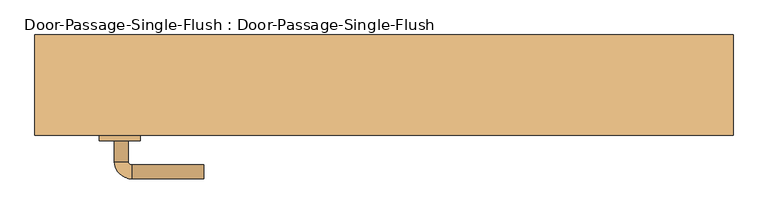
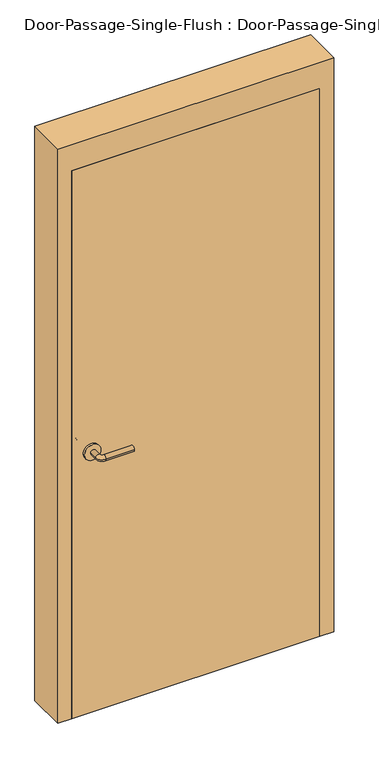
"""IFC4 building model written with IfcOpenShell, lengths in millimetres: door geometry, Door-Passage-Single-Flush : Door-Passage-Single-Flush."""

from ifc_helpers import new_model, si_unit, point, frame, frame_2d, origin, origin_with_axes, place, context, project, spatial, polyline, circle_curve, ellipse_curve, trimmed, segment, composite_curve, outline, extrude, faceted_brep, source, transform, mapped, element, save
from ifc_brep_helpers import plane_surface, cylinder_surface, revolved_surface, advanced_brep


def door_passage_single_flush_door_passage_single_flush_a954deb9(model_context):
    return source(origin(), model_context, "Body", "SolidModel", [
        advanced_brep(
        [(-392.190625, -80.9, 1016.0), (-372.190625, -80.9, 1016.0), (-392.190625, -50.9, 1016.0), (-372.190625, -50.9, 1016.0), (-367.190625, -45.9, 1016.0), (-367.190625, -25.9, 1016.0), (-262.190625, -25.9, 1016.0), (-262.190625, -45.9, 1016.0)],
        [
            (0, 1, circle_curve(frame((-382.190625, -80.9, 1016.0), z_axis=(0.0, -1.0, 0.0), x_axis=(1.0, 0.0, 0.0)), 10.0)),
            (1, 0, circle_curve(frame((-382.190625, -80.9, 1016.0), z_axis=(0.0, -1.0, 0.0), x_axis=(1.0, 0.0, 0.0)), 10.0)),
            (0, 2),
            (2, 3, circle_curve(frame((-382.190625, -50.9, 1016.0), z_axis=(0.0, -1.0, 0.0), x_axis=(1.0, 0.0, 0.0)), 10.0)),
            (3, 1),
            (3, 2, circle_curve(frame((-382.190625, -50.9, 1016.0), z_axis=(0.0, -1.0, 0.0), x_axis=(1.0, 0.0, 0.0)), 10.0)),
            (4, 3, circle_curve(frame((-367.190625, -50.9, 1016.0), z_axis=(0.0, 0.0, 1.0), x_axis=(-1.0, 0.0, 0.0)), 5.0)),
            (2, 5, circle_curve(frame((-367.190625, -50.9, 1016.0), z_axis=(0.0, 0.0, -1.0), x_axis=(-1.0, 0.0, 0.0)), 25.0)),
            (5, 4, circle_curve(frame((-367.190625, -35.9, 1016.0), z_axis=(-1.0, 0.0, 0.0), x_axis=(0.0, -1.0, 0.0)), 10.0)),
            (4, 5, circle_curve(frame((-367.190625, -35.9, 1016.0), z_axis=(-1.0, 0.0, 0.0), x_axis=(0.0, -1.0, 0.0)), 10.0)),
            (6, 7, circle_curve(frame((-262.190625, -35.9, 1016.0), z_axis=(1.0, 0.0, 0.0), x_axis=(0.0, -1.0, 0.0)), 10.0)),
            (7, 6, circle_curve(frame((-262.190625, -35.9, 1016.0), z_axis=(1.0, 0.0, 0.0), x_axis=(0.0, -1.0, 0.0)), 10.0)),
            (5, 6),
            (7, 4),
        ],
        [
            plane_surface(frame((-382.190625, -80.9, 1016.0), z_axis=(0.0, -1.0, 0.0), x_axis=(0.0, 0.0, 1.0))),
            cylinder_surface(frame((-382.190625, -80.9, 1016.0), z_axis=(0.0, -1.0, 0.0), x_axis=(1.0, 0.0, 0.0)), 10.0),
            revolved_surface(trimmed(ellipse_curve(frame((-382.190625, -50.9, 1016.0), z_axis=(0.0, -1.0, 0.0), x_axis=(1.0, 0.0, 0.0)), 10.0, 10.0), [point((-392.190625, -50.9, 1016.0))], [point((-372.190625, -50.9, 1016.0))], True, "CARTESIAN"), (-367.190625, -50.9, 1016.0), (0.0, 0.0, -1.0)),
            revolved_surface(trimmed(ellipse_curve(frame((-382.190625, -50.9, 1016.0), z_axis=(0.0, -1.0, 0.0), x_axis=(1.0, 0.0, 0.0)), 10.0, 10.0), [point((-372.190625, -50.9, 1016.0))], [point((-392.190625, -50.9, 1016.0))], True, "CARTESIAN"), (-367.190625, -50.9, 1016.0), (0.0, 0.0, -1.0)),
            plane_surface(frame((-262.190625, -35.9, 1016.0), z_axis=(1.0, 0.0, 0.0), x_axis=(0.0, 0.0, 1.0))),
            cylinder_surface(frame((-367.190625, -35.9, 1016.0), z_axis=(-1.0, 0.0, 0.0), x_axis=(0.0, -1.0, 0.0)), 10.0),
        ],
        [
            (0, [[1, 2]]),
            (1, [[-1, 3, 4, 5]]),
            (1, [[-2, -5, 6, -3]]),
            (2, [[7, -4, 8, 9]]),
            (3, [[-8, -6, -7, 10]]),
            (4, [[11, 12]]),
            (5, [[-9, 13, -12, 14]]),
            (5, [[-10, -14, -11, -13]]),
        ],
    ),
        extrude(outline(composite_curve([segment(trimmed(circle_curve(frame_2d((1016.0, -384.690625)), 30.0), [point((1016.0, -414.690625))], [point((1016.0, -354.690625))], False, "CARTESIAN"), True, "CONTINUOUS"), segment(trimmed(circle_curve(frame_2d((1016.0, -384.690625)), 30.0), [point((1016.0, -354.690625))], [point((1016.0, -414.690625))], False, "CARTESIAN"), True, "CONTINUOUS")], self_intersect=False)), frame((0.0, -88.9, 0.0), z_axis=(0.0, 1.0, 0.0), x_axis=(0.0, 0.0, 1.0)), (0.0, 0.0, 1.0), 8.0),
        advanced_brep(
        [(-392.190625, -141.35, 1016.0), (-372.190625, -141.35, 1016.0), (-372.190625, -171.35, 1016.0), (-392.190625, -171.35, 1016.0), (-367.190625, -176.35, 1016.0), (-367.190625, -196.35, 1016.0), (-262.190625, -196.35, 1016.0), (-262.190625, -176.35, 1016.0)],
        [
            (0, 1, circle_curve(frame((-382.190625, -141.35, 1016.0), z_axis=(0.0, 1.0, 0.0), x_axis=(1.0, 0.0, 0.0)), 10.0)),
            (1, 0, circle_curve(frame((-382.190625, -141.35, 1016.0), z_axis=(0.0, 1.0, 0.0), x_axis=(1.0, 0.0, 0.0)), 10.0)),
            (1, 2),
            (2, 3, circle_curve(frame((-382.190625, -171.35, 1016.0), z_axis=(0.0, 1.0, 0.0), x_axis=(1.0, 0.0, 0.0)), 10.0)),
            (3, 0),
            (3, 2, circle_curve(frame((-382.190625, -171.35, 1016.0), z_axis=(0.0, 1.0, 0.0), x_axis=(1.0, 0.0, 0.0)), 10.0)),
            (4, 5, circle_curve(frame((-367.190625, -186.35, 1016.0), z_axis=(-1.0, 0.0, 0.0), x_axis=(0.0, 1.0, 0.0)), 10.0)),
            (5, 3, circle_curve(frame((-367.190625, -171.35, 1016.0), z_axis=(0.0, 0.0, -1.0), x_axis=(-1.0, 0.0, 0.0)), 25.0)),
            (2, 4, circle_curve(frame((-367.190625, -171.35, 1016.0), z_axis=(0.0, 0.0, 1.0), x_axis=(-1.0, 0.0, 0.0)), 5.0)),
            (5, 4, circle_curve(frame((-367.190625, -186.35, 1016.0), z_axis=(-1.0, 0.0, 0.0), x_axis=(0.0, 1.0, 0.0)), 10.0)),
            (6, 7, circle_curve(frame((-262.190625, -186.35, 1016.0), z_axis=(1.0, 0.0, 0.0), x_axis=(0.0, 1.0, 0.0)), 10.0)),
            (7, 6, circle_curve(frame((-262.190625, -186.35, 1016.0), z_axis=(1.0, 0.0, 0.0), x_axis=(0.0, 1.0, 0.0)), 10.0)),
            (4, 7),
            (6, 5),
        ],
        [
            plane_surface(frame((-382.190625, -141.35, 1016.0), z_axis=(0.0, 1.0, 0.0), x_axis=(0.0, 0.0, 1.0))),
            cylinder_surface(frame((-382.190625, -141.35, 1016.0), z_axis=(0.0, 1.0, 0.0), x_axis=(1.0, 0.0, 0.0)), 10.0),
            revolved_surface(trimmed(ellipse_curve(frame((-382.190625, -171.35, 1016.0), z_axis=(0.0, -1.0, 0.0), x_axis=(1.0, 0.0, 0.0)), 10.0, 10.0), [point((-392.190625, -171.35, 1016.0))], [point((-372.190625, -171.35, 1016.0))], True, "CARTESIAN"), (-367.190625, -171.35, 1016.0), (0.0, 0.0, -1.0)),
            revolved_surface(trimmed(ellipse_curve(frame((-382.190625, -171.35, 1016.0), z_axis=(0.0, -1.0, 0.0), x_axis=(1.0, 0.0, 0.0)), 10.0, 10.0), [point((-372.190625, -171.35, 1016.0))], [point((-392.190625, -171.35, 1016.0))], True, "CARTESIAN"), (-367.190625, -171.35, 1016.0), (0.0, 0.0, -1.0)),
            plane_surface(frame((-262.190625, -186.35, 1016.0), z_axis=(1.0, 0.0, 0.0), x_axis=(0.0, 0.0, 1.0))),
            cylinder_surface(frame((-367.190625, -186.35, 1016.0), z_axis=(-1.0, 0.0, 0.0), x_axis=(0.0, 1.0, 0.0)), 10.0),
        ],
        [
            (0, [[1, 2]]),
            (1, [[3, 4, 5, -2]]),
            (1, [[-5, 6, -3, -1]]),
            (2, [[7, 8, -4, 9]]),
            (3, [[10, -9, -6, -8]]),
            (4, [[11, 12]]),
            (5, [[13, -11, 14, -7]]),
            (5, [[-14, -12, -13, -10]]),
        ],
    ),
        extrude(outline(composite_curve([segment(trimmed(circle_curve(frame_2d((1016.0, -384.690625)), 30.0), [point((1016.0, -414.690625))], [point((1016.0, -354.690625))], False, "CARTESIAN"), True, "CONTINUOUS"), segment(trimmed(circle_curve(frame_2d((1016.0, -384.690625)), 30.0), [point((1016.0, -354.690625))], [point((1016.0, -414.690625))], False, "CARTESIAN"), True, "CONTINUOUS")], self_intersect=False)), frame((0.0, -141.35, 0.0), z_axis=(0.0, 1.0, 0.0), x_axis=(0.0, 0.0, 1.0)), (0.0, 0.0, 1.0), 8.0),
        faceted_brep([(457.2, -84.1375, 0.0), (441.325, -84.1375, 0.0), (441.325, -36.5125, 0.0), (457.2, -36.5125, 0.0), (457.2, 12.7, 0.0), (508.0, 12.7, 0.0), (508.0, -133.35, 0.0), (457.2, -133.35, 0.0), (457.2, -133.35, 2133.6), (457.2, -84.1375, 2133.6), (508.0, -133.35, 2235.2), (-508.0, -133.35, 2235.2), (-508.0, -133.35, 0.0), (-457.2, -133.35, 0.0), (-457.2, -133.35, 2133.6), (508.0, 12.7, 2235.2), (457.2, 12.7, 2133.6), (-457.2, 12.7, 2133.6), (-457.2, 12.7, 0.0), (-508.0, 12.7, 0.0), (-508.0, 12.7, 2235.2), (457.2, -36.5125, 2133.6), (441.325, -36.5125, 2117.725), (-441.325, -36.5125, 2117.725), (-441.325, -36.5125, 0.0), (-457.2, -36.5125, 0.0), (-457.2, -36.5125, 2133.6), (441.325, -84.1375, 2117.725), (-457.2, -84.1375, 2133.6), (-457.2, -84.1375, 0.0), (-441.325, -84.1375, 0.0), (-441.325, -84.1375, 2117.725)], [[[0, 1, 2, 3, 4, 5, 6, 7]], [[7, 8, 9, 0]], [[6, 10, 11, 12, 13, 14, 8, 7]], [[5, 15, 10, 6]], [[4, 16, 17, 18, 19, 20, 15, 5]], [[3, 21, 16, 4]], [[2, 22, 23, 24, 25, 26, 21, 3]], [[1, 27, 22, 2]], [[0, 9, 28, 29, 30, 31, 27, 1]], [[8, 14, 28, 9]], [[16, 21, 26, 17]], [[22, 27, 31, 23]], [[12, 19, 18, 25, 24, 30, 29, 13]], [[13, 29, 28, 14]], [[11, 20, 19, 12]], [[17, 26, 25, 18]], [[23, 31, 30, 24]], [[15, 20, 11, 10]]]),
        extrude(outline(polyline([(457.2, -88.9), (457.2, -133.35), (-457.2, -133.35), (-457.2, -88.9), (457.2, -88.9)])), origin_with_axes(), (0.0, 0.0, 1.0), 2133.6),
    ])


if __name__ == "__main__":
    model = new_model("IFC4")
    model_context = context("Model", 3, world=origin())
    ifc_project = project(units=[si_unit("LENGTHUNIT", "METRE", prefix="MILLI")], contexts=[model_context])
    site = spatial("IfcSite", under=ifc_project)
    building = spatial("IfcBuilding", under=site)
    placement = place(None, origin())
    door_passage_single_flush_door_passage_single_flush_shape = door_passage_single_flush_door_passage_single_flush_a954deb9(model_context)
    element("IfcDoor", 1, ObjectType="Door-Passage-Single-Flush : Door-Passage-Single-Flush", at=placement, inside=building, context=model_context, shape_type="MappedRepresentation", body=[
        mapped(door_passage_single_flush_door_passage_single_flush_shape, transform((0.0, 0.0, 0.0), x_axis=(1.0, 0.0, 0.0), y_axis=(0.0, 1.0, 0.0), z_axis=(0.0, 0.0, 1.0))),
    ])
    save(model, "model.ifc")
